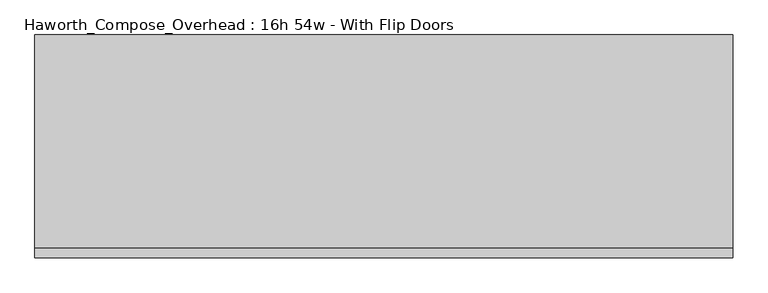
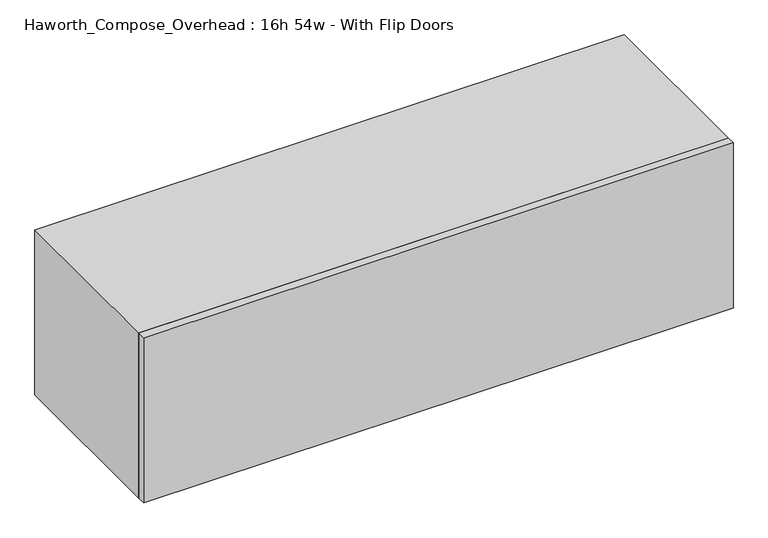
"""IFC4 building model written with IfcOpenShell, lengths in millimetres: furniture geometry, Haworth_Compose_Overhead : 16h 54w - With Flip Doors."""

import ifcopenshell
import ifcopenshell.guid

model = None  # the IFC model being written
_history = None  # IfcOwnerHistory: only IFC2X3 demands one
_inside = {}  # id of a spatial element -> (the spatial element, [elements in it])
_under = {}  # id of a project, library or spatial element -> (it, [spatial elements below it])
_declared = {}  # id of a project -> (the project, [libraries it declares])
_typed = {}  # id of a type object -> (the type object, [elements of that type])
_made_of = {}  # id of a material, layer set ... -> (it, [elements and type objects made of it])


def new_model(schema):
    """Start an empty IFC model of exactly this schema.

    Asked for "IFC4X3", IfcOpenShell would pick the latest addendum, in which some entities
    have other attributes; the version numbers below select the first issue.
    IFC2X3 requires an IfcOwnerHistory on every rooted entity: one is made here for all.
    """
    global model, _history
    if schema == "IFC4X3":
        model = ifcopenshell.file(schema_version=(4, 3, 0, 0))
    else:
        model = ifcopenshell.file(schema=schema)
    _inside.clear()
    _under.clear()
    _declared.clear()
    _typed.clear()
    _made_of.clear()
    _history = None
    if model.schema == "IFC2X3":
        org = make("IfcOrganization", Name="unknown")
        user = make(
            "IfcPersonAndOrganization",
            ThePerson=make("IfcPerson", FamilyName="unknown"),
            TheOrganization=org,
        )
        app = make(
            "IfcApplication",
            ApplicationDeveloper=org,
            Version="unknown",
            ApplicationFullName="unknown",
            ApplicationIdentifier="unknown",
        )
        _history = make(
            "IfcOwnerHistory",
            OwningUser=user,
            OwningApplication=app,
            ChangeAction="ADDED",
            CreationDate=0,
        )
    return model


def make(cls, **values):
    """One entity of the class cls with the attributes given. An attribute that is None is left unset."""
    return model.create_entity(
        cls, **{name: value for name, value in values.items() if value is not None}
    )


def rooted(cls, **values):
    """An entity with a GlobalId (a new one), such as an element, a storey or a relation."""
    return make(cls, GlobalId=ifcopenshell.guid.new(), OwnerHistory=_history, **values)


def si_unit(unit_type, name, prefix=None):
    """IfcSIUnit, for example si_unit("LENGTHUNIT", "METRE", prefix="MILLI")."""
    return make("IfcSIUnit", UnitType=unit_type, Prefix=prefix, Name=name)


def assignment(units):
    """IfcUnitAssignment: the units of a project."""
    return None if units is None else make("IfcUnitAssignment", Units=units)


def point(xyz):
    """IfcCartesianPoint."""
    return None if xyz is None else make("IfcCartesianPoint", Coordinates=xyz)


def direction(xyz):
    """IfcDirection."""
    return None if xyz is None else make("IfcDirection", DirectionRatios=xyz)


def frame(location, z_axis=None, x_axis=None):
    """IfcAxis2Placement3D, a coordinate frame: its origin and axes. An axis left out is left unset."""
    return make(
        "IfcAxis2Placement3D",
        Location=point(location),
        Axis=direction(z_axis),
        RefDirection=direction(x_axis),
    )


def origin():
    """The frame at (0, 0, 0) with its axes left unset."""
    return frame((0.0, 0.0, 0.0))


def place(relative_to, where):
    """IfcLocalPlacement: puts the frame where relative to a parent placement (None: the world)."""
    return make(
        "IfcLocalPlacement", PlacementRelTo=relative_to, RelativePlacement=where
    )


def context(
    kind, dimensions, precision=None, world=None, true_north=None, identifier=None
):
    """IfcGeometricRepresentationContext, for example the 3D "Model" context."""
    return make(
        "IfcGeometricRepresentationContext",
        ContextIdentifier=identifier,
        ContextType=kind,
        CoordinateSpaceDimension=dimensions,
        Precision=precision,
        WorldCoordinateSystem=world,
        TrueNorth=true_north,
    )


def project(units=None, contexts=None):
    """IfcProject with its units and contexts."""
    return rooted(
        "IfcProject",
        Name="project",
        RepresentationContexts=contexts,
        UnitsInContext=assignment(units),
    )


def spatial(cls, under=None, at=None, **own):
    """A site, building, storey or space (cls), placed at a placement, below another one or the project."""
    s = rooted(cls, ObjectPlacement=at, **own)
    if under is not None:
        _under.setdefault(under.id(), (under, []))[1].append(s)
    return s


def polyline(points):
    """IfcPolyline through the points."""
    return make("IfcPolyline", Points=[point(p) for p in points])


def outline(outer, holes=None, kind="AREA"):
    """IfcArbitraryClosedProfileDef: a profile drawn as a closed curve; with holes, ...WithVoids."""
    if holes is None:
        return make("IfcArbitraryClosedProfileDef", ProfileType=kind, OuterCurve=outer)
    return make(
        "IfcArbitraryProfileDefWithVoids",
        ProfileType=kind,
        OuterCurve=outer,
        InnerCurves=holes,
    )


def extrude(swept, where, along, depth):
    """IfcExtrudedAreaSolid: the profile swept, set in the frame where, extruded along a direction by depth."""
    return make(
        "IfcExtrudedAreaSolid",
        SweptArea=swept,
        Position=where,
        ExtrudedDirection=direction(along),
        Depth=depth,
    )


def shape(context_of_items, identifier, shape_type, items):
    """IfcShapeRepresentation: the items that make up one representation, for example the "Body"."""
    return make(
        "IfcShapeRepresentation",
        ContextOfItems=context_of_items,
        RepresentationIdentifier=identifier,
        RepresentationType=shape_type,
        Items=items,
    )


def source(mapping_origin, context_of_items, identifier, shape_type, items):
    """IfcRepresentationMap: a shape defined once, which mapped items show again and again."""
    return make(
        "IfcRepresentationMap",
        MappingOrigin=mapping_origin,
        MappedRepresentation=shape(context_of_items, identifier, shape_type, items),
    )


def transform(
    local_origin,
    x_axis=None,
    y_axis=None,
    z_axis=None,
    scale=None,
    scale2=None,
    scale3=None,
    uniform=True,
):
    """IfcCartesianTransformationOperator3D, or its non-uniform kind. x_axis, y_axis, z_axis: its Axis1, 2, 3."""
    if uniform:
        return make(
            "IfcCartesianTransformationOperator3D",
            Axis1=direction(x_axis),
            Axis2=direction(y_axis),
            LocalOrigin=point(local_origin),
            Scale=scale,
            Axis3=direction(z_axis),
        )
    return make(
        "IfcCartesianTransformationOperator3DnonUniform",
        Axis1=direction(x_axis),
        Axis2=direction(y_axis),
        LocalOrigin=point(local_origin),
        Scale=scale,
        Axis3=direction(z_axis),
        Scale2=scale2,
        Scale3=scale3,
    )


def mapped(mapping_source, mapping_target):
    """IfcMappedItem: shows the shape of a source again, moved by a transform."""
    return make(
        "IfcMappedItem", MappingSource=mapping_source, MappingTarget=mapping_target
    )


def made_of(thing, what):
    """Note that an element or type object is made of a material, layer set ...; save() writes the relation."""
    if what is not None:
        _made_of.setdefault(what.id(), (what, []))[1].append(thing)
    return thing


def element(
    cls,
    number,
    at=None,
    inside=None,
    cuts=None,
    type_object=None,
    material=None,
    context=None,
    identifier="Body",
    shape_type=None,
    held_by="IfcProductDefinitionShape",
    body=None,
    shapes=None,
    **own,
):
    """One element of the class cls, such as IfcWall. Its Tag is "e" and its number.

    at: its placement. inside: the storey or other place that contains it. cuts: it is an
    opening in that element (IfcRelVoidsElement). A single representation is given by context,
    identifier, shape_type and body (its items); several are given by shapes. held_by: the class
    of the entity that holds the representations. save() writes the other relations.
    """
    e = rooted(cls, Tag="e%d" % number, ObjectPlacement=at, **own)
    if body is not None:
        shapes = [shape(context, identifier, shape_type, body)]
    if shapes is not None:
        e.Representation = make(held_by, Representations=shapes)
    if inside is not None:
        _inside.setdefault(inside.id(), (inside, []))[1].append(e)
    if cuts is not None:
        rooted(
            "IfcRelVoidsElement", RelatingBuildingElement=cuts, RelatedOpeningElement=e
        )
    if type_object is not None:
        _typed.setdefault(type_object.id(), (type_object, []))[1].append(e)
    return made_of(e, material)


def aggregate(whole, parts):
    """IfcRelAggregates: a whole, such as a stair, and the parts it consists of."""
    return rooted("IfcRelAggregates", RelatingObject=whole, RelatedObjects=parts)


def save(model, path):
    """Write the relations noted so far, then the file.

    IfcRelAggregates (storeys below a building ...), IfcRelContainedInSpatialStructure (elements
    in a storey), IfcRelDefinesByType, IfcRelAssociatesMaterial and IfcRelDeclares: one each for
    every whole, place, type object, material and project.
    """
    for whole, parts in _under.values():
        aggregate(whole, parts)
    for where, things in _inside.values():
        rooted(
            "IfcRelContainedInSpatialStructure",
            RelatedElements=things,
            RelatingStructure=where,
        )
    for kind, things in _typed.values():
        rooted("IfcRelDefinesByType", RelatedObjects=things, RelatingType=kind)
    for what, things in _made_of.values():
        rooted("IfcRelAssociatesMaterial", RelatedObjects=things, RelatingMaterial=what)
    for by, libraries in _declared.values():
        rooted("IfcRelDeclares", RelatingContext=by, RelatedDefinitions=libraries)
    model.write(path)


def haworth_compose_overhead_16h_54w_with_flip_doors_6f11c5de(model_context):
    return source(origin(), model_context, "Body", "SweptSolid", [
        extrude(outline(polyline([(850.9, -438.15), (-520.7, -438.15), (-520.7, -419.1), (850.9, -419.1), (850.9, -438.15)])), frame((0.0, 0.0, 1270.0), z_axis=(0.0, 0.0, 1.0), x_axis=(1.0, 0.0, 0.0)), (0.0, 0.0, 1.0), 406.4),
        extrude(outline(polyline([(825.5, -6.35), (-495.3, -6.35), (-495.3, 0.0), (825.5, 0.0), (825.5, -6.35)])), frame((0.0, 0.0, 1295.4), z_axis=(0.0, 0.0, 1.0), x_axis=(1.0, 0.0, 0.0)), (0.0, 0.0, 1.0), 355.6),
        extrude(outline(polyline([(1270.0, 850.9), (1676.4, 850.9), (1676.4, -520.7), (1270.0, -520.7), (1270.0, 850.9)]), holes=[polyline([(1651.0, 825.5), (1295.4, 825.5), (1295.4, -495.3), (1651.0, -495.3), (1651.0, 825.5)])]), frame((0.0, -419.1, 0.0), z_axis=(0.0, 1.0, 0.0), x_axis=(0.0, 0.0, 1.0)), (0.0, 0.0, 1.0), 419.1),
    ])


if __name__ == "__main__":
    model = new_model("IFC4")
    model_context = context("Model", 3, world=origin())
    ifc_project = project(units=[si_unit("LENGTHUNIT", "METRE", prefix="MILLI")], contexts=[model_context])
    site = spatial("IfcSite", under=ifc_project)
    building = spatial("IfcBuilding", under=site)
    placement = place(None, origin())
    haworth_compose_overhead_16h_54w_with_flip_doors_shape = haworth_compose_overhead_16h_54w_with_flip_doors_6f11c5de(model_context)
    element("IfcFurniture", 1, ObjectType="Haworth_Compose_Overhead : 16h 54w - With Flip Doors", at=placement, inside=building, context=model_context, shape_type="MappedRepresentation", body=[
        mapped(haworth_compose_overhead_16h_54w_with_flip_doors_shape, transform((0.0, 0.0, 0.0), x_axis=(1.0, 0.0, 0.0), y_axis=(0.0, 1.0, 0.0), z_axis=(0.0, 0.0, 1.0))),
    ])
    save(model, "model.ifc")
